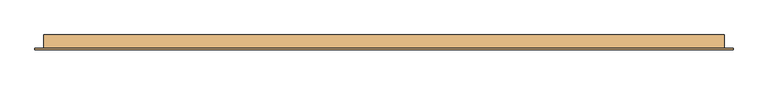
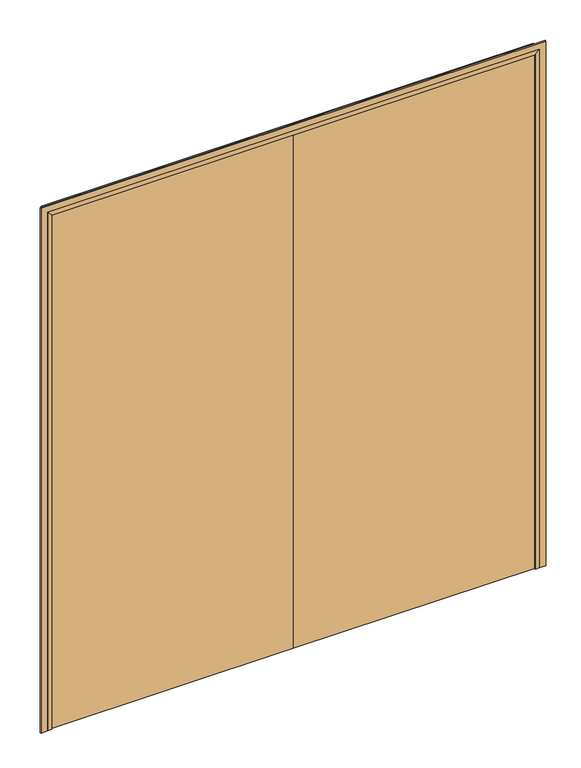
"""IFC4 building model written with IfcOpenShell, lengths in millimetres: door geometry."""

from ifc_helpers import new_model, si_unit, frame, origin, place, context, project, spatial, polyline, outline, extrude, faceted_brep, source, transform, mapped, element, save


def door_0e735fd8(model_context):
    return source(origin(), model_context, "Body", "SolidModel", [
        faceted_brep([(-1177.0, 37.0, 0.0), (-1177.0, -15.0, 0.0), (-1198.0, -15.0, 0.0), (-1198.0, 37.0, 0.0), (-1177.0, 37.0, 2647.0), (-1177.0, -15.0, 2647.0), (-1198.0, -15.0, 2668.0), (-1198.0, 37.0, 2668.0), (1177.0, 37.0, 0.0), (1198.0, 37.0, 0.0), (1198.0, -15.0, 0.0), (1177.0, -15.0, 0.0), (1198.0, 37.0, 2668.0), (1177.0, 37.0, 2647.0), (1198.0, -15.0, 2668.0), (1177.0, -15.0, 2647.0)], [[[0, 1, 2, 3]], [[0, 4, 5, 1]], [[1, 5, 6, 2]], [[2, 6, 7, 3]], [[3, 7, 4, 0]], [[8, 9, 10, 11]], [[12, 9, 8, 13]], [[14, 10, 9, 12]], [[15, 11, 10, 14]], [[13, 8, 11, 15]], [[4, 13, 15, 5]], [[5, 15, 14, 6]], [[6, 14, 12, 7]], [[7, 12, 13, 4]]]),
        extrude(outline(polyline([(2700.0, -1230.0), (0.0, -1230.0), (0.0, -1198.0), (2668.0, -1198.0), (2668.0, 1198.0), (0.0, 1198.0), (0.0, 1230.0), (2700.0, 1230.0), (2700.0, -1230.0)])), frame((0.0, -15.0, 0.0), z_axis=(0.0, 1.0, 0.0), x_axis=(0.0, 0.0, 1.0)), (0.0, 0.0, 1.0), 5.0),
        extrude(outline(polyline([(1.0739506, 34.0), (1.0739506, -10.0), (-1195.0, -10.0), (-1195.0, 34.0), (1.0739506, 34.0)])), frame((0.0, 0.0, 1.753223), z_axis=(0.0, 0.0, 1.0), x_axis=(1.0, 0.0, 0.0)), (0.0, 0.0, 1.0), 2666.246777),
        extrude(outline(polyline([(1195.0, 34.0), (1195.0, -10.0), (1.0739506, -10.0), (1.0739506, 34.0), (1195.0, 34.0)])), frame((0.0, 0.0, 1.753223), z_axis=(0.0, 0.0, 1.0), x_axis=(1.0, 0.0, 0.0)), (0.0, 0.0, 1.0), 2666.246777),
    ])


if __name__ == "__main__":
    model = new_model("IFC4")
    model_context = context("Model", 3, world=origin())
    ifc_project = project(units=[si_unit("LENGTHUNIT", "METRE", prefix="MILLI")], contexts=[model_context])
    site = spatial("IfcSite", under=ifc_project)
    building = spatial("IfcBuilding", under=site)
    placement = place(None, origin())
    door_shape = door_0e735fd8(model_context)
    element("IfcDoor", 1, at=placement, inside=building, context=model_context, shape_type="MappedRepresentation", body=[
        mapped(door_shape, transform((0.0, 0.0, 0.0), x_axis=(1.0, 0.0, 0.0), y_axis=(0.0, 1.0, 0.0), z_axis=(0.0, 0.0, 1.0))),
    ])
    save(model, "model.ifc")
